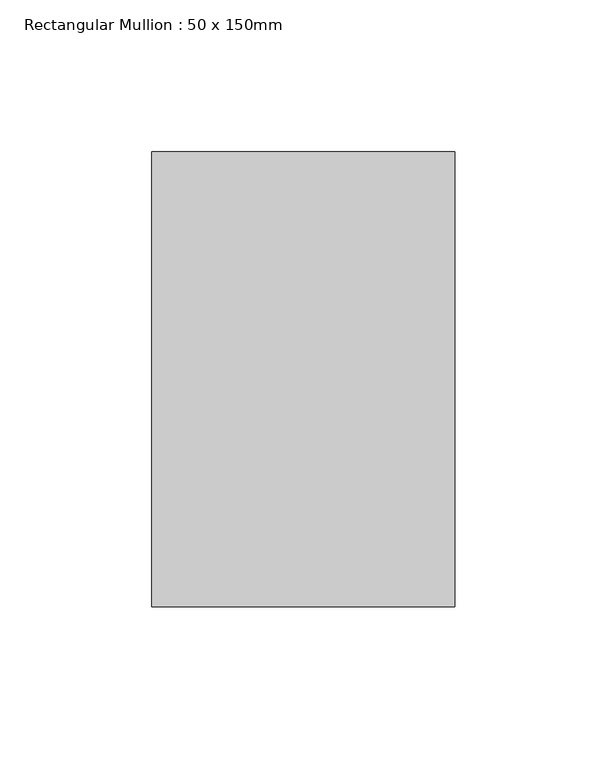
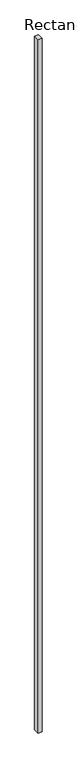
"""IFC4 building model written with IfcOpenShell, lengths in millimetres: member geometry, Rectangular Mullion : 50 x 150mm."""

from ifc_helpers import new_model, si_unit, frame, origin, place, context, project, spatial, polyline, outline, extrude, source, transform, mapped, element, save


def rectangular_mullion_50_x_150mm_2547565e(model_context):
    return source(origin(), model_context, "Body", "SweptSolid", [
        extrude(outline(polyline([(50.0, 75.0), (50.0, -75.0), (-50.0, -75.0), (-50.0, 75.0), (50.0, 75.0)])), frame((0.0, 0.0, -18438.5576057), z_axis=(0.0, 0.0, 1.0), x_axis=(1.0, 0.0, 0.0)), (0.0, 0.0, 1.0), 18438.5576057),
    ])


if __name__ == "__main__":
    model = new_model("IFC4")
    model_context = context("Model", 3, world=origin())
    ifc_project = project(units=[si_unit("LENGTHUNIT", "METRE", prefix="MILLI")], contexts=[model_context])
    site = spatial("IfcSite", under=ifc_project)
    building = spatial("IfcBuilding", under=site)
    placement = place(None, origin())
    rectangular_mullion_50_x_150mm_shape = rectangular_mullion_50_x_150mm_2547565e(model_context)
    element("IfcMember", 1, ObjectType="Rectangular Mullion : 50 x 150mm", at=placement, inside=building, context=model_context, shape_type="MappedRepresentation", body=[
        mapped(rectangular_mullion_50_x_150mm_shape, transform((0.0, 0.0, 0.0), x_axis=(1.0, 0.0, 0.0), y_axis=(0.0, 1.0, 0.0), z_axis=(0.0, 0.0, 1.0))),
    ])
    save(model, "model.ifc")
